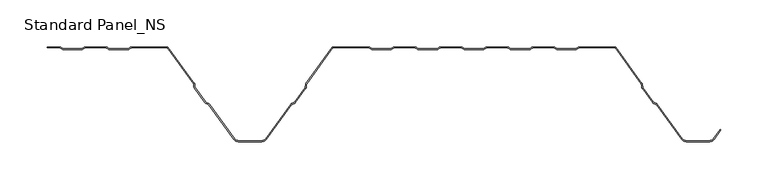
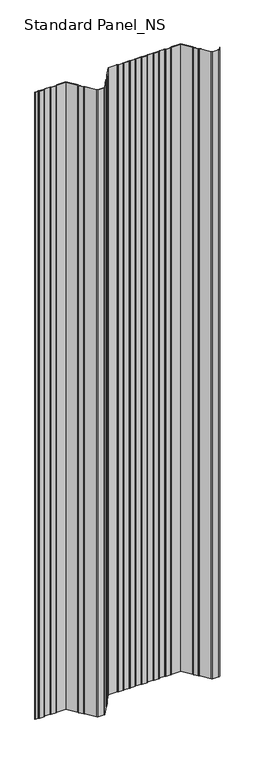
"""IFC4 building model written with IfcOpenShell, lengths in millimetres: proxy geometry, Standard Panel_NS."""

from ifc_helpers import new_model, si_unit, point, frame, frame_2d, origin, place, context, project, spatial, polyline, circle_curve, trimmed, segment, composite_curve, outline, extrude, source, transform, mapped, element, save


def standard_panel_ns_41fe60a1(model_context):
    return source(origin(), model_context, "Body", "SweptSolid", [
        extrude(outline(composite_curve([segment(trimmed(circle_curve(frame_2d((-332.6655441, -2.7486049)), 2.7486049), [point((-332.6655441, 0.0))], [point((-331.1408924, -0.4616274))], False, "CARTESIAN"), True, "CONTINUOUS"), segment(polyline([(-331.1408924, -0.4616274), (-329.27385, -1.7063223)]), True, "CONTINUOUS"), segment(trimmed(circle_curve(frame_2d((-328.3038985, -0.2513951)), 1.7486049), [point((-329.27385, -1.7063223))], [point((-328.3038985, -2.0))], True, "CARTESIAN"), True, "CONTINUOUS"), segment(polyline([(-328.3038985, -2.0), (-309.3627684, -2.0)]), True, "CONTINUOUS"), segment(trimmed(circle_curve(frame_2d((-309.3627684, -0.2513951)), 1.7486049), [point((-309.3627684, -2.0))], [point((-308.392817, -1.7063223))], True, "CARTESIAN"), True, "CONTINUOUS"), segment(polyline([(-308.392817, -1.7063223), (-306.5257746, -0.4616274)]), True, "CONTINUOUS"), segment(trimmed(circle_curve(frame_2d((-305.0011229, -2.7486049)), 2.7486049), [point((-306.5257746, -0.4616274))], [point((-305.0011229, 0.0))], False, "CARTESIAN"), True, "CONTINUOUS"), segment(polyline([(-305.0011229, 0.0), (-283.4988774, 0.0)]), True, "CONTINUOUS"), segment(trimmed(circle_curve(frame_2d((-283.4988774, -2.7486049)), 2.7486049), [point((-283.4988774, 0.0))], [point((-281.9742257, -0.4616274))], False, "CARTESIAN"), True, "CONTINUOUS"), segment(polyline([(-281.9742257, -0.4616274), (-280.1071833, -1.7063223)]), True, "CONTINUOUS"), segment(trimmed(circle_curve(frame_2d((-279.1372319, -0.2513951)), 1.7486049), [point((-280.1071833, -1.7063223))], [point((-279.1372319, -2.0))], True, "CARTESIAN"), True, "CONTINUOUS"), segment(polyline([(-279.1372319, -2.0), (-260.1961018, -2.0)]), True, "CONTINUOUS"), segment(trimmed(circle_curve(frame_2d((-260.1961018, -0.2513951)), 1.7486049), [point((-260.1961018, -2.0))], [point((-259.2261503, -1.7063223))], True, "CARTESIAN"), True, "CONTINUOUS"), segment(polyline([(-259.2261503, -1.7063223), (-257.3591079, -0.4616274)]), True, "CONTINUOUS"), segment(trimmed(circle_curve(frame_2d((-255.8344562, -2.7486049)), 2.7486049), [point((-257.3591079, -0.4616274))], [point((-255.8344562, 0.0))], False, "CARTESIAN"), True, "CONTINUOUS"), segment(polyline([(-255.8344562, 0.0), (-217.5000002, 0.0), (-189.3690592, -38.8012978)]), True, "CONTINUOUS"), segment(trimmed(circle_curve(frame_2d((-191.5943584, -40.4146398)), 2.7486049), [point((-189.3690592, -38.8012978))], [point((-188.8478765, -40.3066321))], False, "CARTESIAN"), True, "CONTINUOUS"), segment(polyline([(-188.8478765, -40.3066321), (-188.7597011, -42.5488047)]), True, "CONTINUOUS"), segment(trimmed(circle_curve(frame_2d((-187.0124468, -42.4800924)), 1.7486049), [point((-188.7597011, -42.5488047))], [point((-188.4281356, -43.5064668))], True, "CARTESIAN"), True, "CONTINUOUS"), segment(polyline([(-188.4281356, -43.5064668), (-177.3103065, -58.8414035)]), True, "CONTINUOUS"), segment(trimmed(circle_curve(frame_2d((-175.8946177, -57.8150291)), 1.7486049), [point((-177.3103065, -58.8414035))], [point((-176.5032119, -59.4543071))], True, "CARTESIAN"), True, "CONTINUOUS"), segment(polyline([(-176.5032119, -59.4543071), (-174.3996005, -60.2352885)]), True, "CONTINUOUS"), segment(trimmed(circle_curve(frame_2d((-175.3562403, -62.8120441)), 2.7486049), [point((-174.3996005, -60.2352885))], [point((-173.1309411, -61.1987022))], False, "CARTESIAN"), True, "CONTINUOUS"), segment(polyline([(-173.1309411, -61.1987022), (-146.4972427, -97.9348379)]), True, "CONTINUOUS"), segment(trimmed(circle_curve(frame_2d((-142.4491905, -95.0)), 5.0), [point((-146.4972427, -97.9348379))], [point((-142.4491905, -100.0))], True, "CARTESIAN"), True, "CONTINUOUS"), segment(polyline([(-142.4491905, -100.0), (-117.5508098, -100.0)]), True, "CONTINUOUS"), segment(trimmed(circle_curve(frame_2d((-117.5508098, -95.0)), 5.0), [point((-117.5508098, -100.0))], [point((-113.5027576, -97.9348379))], True, "CARTESIAN"), True, "CONTINUOUS"), segment(polyline([(-113.5027576, -97.9348379), (-86.8690592, -61.1987022)]), True, "CONTINUOUS"), segment(trimmed(circle_curve(frame_2d((-84.64376, -62.8120441)), 2.7486049), [point((-86.8690592, -61.1987022))], [point((-85.6003998, -60.2352885))], False, "CARTESIAN"), True, "CONTINUOUS"), segment(polyline([(-85.6003998, -60.2352885), (-83.4967884, -59.4543071)]), True, "CONTINUOUS"), segment(trimmed(circle_curve(frame_2d((-84.1053826, -57.8150291)), 1.7486049), [point((-83.4967884, -59.4543071))], [point((-82.6896938, -58.8414035))], True, "CARTESIAN"), True, "CONTINUOUS"), segment(polyline([(-82.6896938, -58.8414035), (-71.5718647, -43.5064668)]), True, "CONTINUOUS"), segment(trimmed(circle_curve(frame_2d((-72.9875535, -42.4800924)), 1.7486049), [point((-71.5718647, -43.5064668))], [point((-71.2402992, -42.5488047))], True, "CARTESIAN"), True, "CONTINUOUS"), segment(polyline([(-71.2402992, -42.5488047), (-71.1521238, -40.3066321)]), True, "CONTINUOUS"), segment(trimmed(circle_curve(frame_2d((-68.4056419, -40.4146398)), 2.7486049), [point((-71.1521238, -40.3066321))], [point((-70.6309411, -38.8012978))], False, "CARTESIAN"), True, "CONTINUOUS"), segment(polyline([(-70.6309411, -38.8012978), (-42.5000002, 0.0), (-4.1655441, 0.0)]), True, "CONTINUOUS"), segment(trimmed(circle_curve(frame_2d((-4.1655441, -2.7486049)), 2.7486049), [point((-4.1655441, 0.0))], [point((-2.6408924, -0.4616274))], False, "CARTESIAN"), True, "CONTINUOUS"), segment(polyline([(-2.6408924, -0.4616274), (-0.77385, -1.7063223)]), True, "CONTINUOUS"), segment(trimmed(circle_curve(frame_2d((0.1961015, -0.2513951)), 1.7486049), [point((-0.77385, -1.7063223))], [point((0.1961015, -2.0))], True, "CARTESIAN"), True, "CONTINUOUS"), segment(polyline([(0.1961015, -2.0), (19.1372316, -2.0)]), True, "CONTINUOUS"), segment(trimmed(circle_curve(frame_2d((19.1372316, -0.2513951)), 1.7486049), [point((19.1372316, -2.0))], [point((20.107183, -1.7063223))], True, "CARTESIAN"), True, "CONTINUOUS"), segment(polyline([(20.107183, -1.7063223), (21.9742254, -0.4616274)]), True, "CONTINUOUS"), segment(trimmed(circle_curve(frame_2d((23.4988771, -2.7486049)), 2.7486049), [point((21.9742254, -0.4616274))], [point((23.4988771, 0.0))], False, "CARTESIAN"), True, "CONTINUOUS"), segment(polyline([(23.4988771, 0.0), (45.0011226, 0.0)]), True, "CONTINUOUS"), segment(trimmed(circle_curve(frame_2d((45.0011226, -2.7486049)), 2.7486049), [point((45.0011226, 0.0))], [point((46.5257743, -0.4616274))], False, "CARTESIAN"), True, "CONTINUOUS"), segment(polyline([(46.5257743, -0.4616274), (48.3928167, -1.7063223)]), True, "CONTINUOUS"), segment(trimmed(circle_curve(frame_2d((49.3627681, -0.2513951)), 1.7486049), [point((48.3928167, -1.7063223))], [point((49.3627681, -2.0))], True, "CARTESIAN"), True, "CONTINUOUS"), segment(polyline([(49.3627681, -2.0), (68.3038982, -2.0)]), True, "CONTINUOUS"), segment(trimmed(circle_curve(frame_2d((68.3038982, -0.2513951)), 1.7486049), [point((68.3038982, -2.0))], [point((69.2738497, -1.7063223))], True, "CARTESIAN"), True, "CONTINUOUS"), segment(polyline([(69.2738497, -1.7063223), (71.1408921, -0.4616274)]), True, "CONTINUOUS"), segment(trimmed(circle_curve(frame_2d((72.6655438, -2.7486049)), 2.7486049), [point((71.1408921, -0.4616274))], [point((72.6655438, 0.0))], False, "CARTESIAN"), True, "CONTINUOUS"), segment(polyline([(72.6655438, 0.0), (94.1677892, 0.0)]), True, "CONTINUOUS"), segment(trimmed(circle_curve(frame_2d((94.1677892, -2.7486049)), 2.7486049), [point((94.1677892, 0.0))], [point((95.6924409, -0.4616274))], False, "CARTESIAN"), True, "CONTINUOUS"), segment(polyline([(95.6924409, -0.4616274), (97.5594833, -1.7063223)]), True, "CONTINUOUS"), segment(trimmed(circle_curve(frame_2d((98.5294348, -0.2513951)), 1.7486049), [point((97.5594833, -1.7063223))], [point((98.5294348, -2.0))], True, "CARTESIAN"), True, "CONTINUOUS"), segment(polyline([(98.5294348, -2.0), (117.4705649, -2.0)]), True, "CONTINUOUS"), segment(trimmed(circle_curve(frame_2d((117.4705649, -0.2513951)), 1.7486049), [point((117.4705649, -2.0))], [point((118.4405164, -1.7063223))], True, "CARTESIAN"), True, "CONTINUOUS"), segment(polyline([(118.4405164, -1.7063223), (120.3075588, -0.4616274)]), True, "CONTINUOUS"), segment(trimmed(circle_curve(frame_2d((121.8322104, -2.7486049)), 2.7486049), [point((120.3075588, -0.4616274))], [point((121.8322104, 0.0))], False, "CARTESIAN"), True, "CONTINUOUS"), segment(polyline([(121.8322104, 0.0), (143.3344559, 0.0)]), True, "CONTINUOUS"), segment(trimmed(circle_curve(frame_2d((143.3344559, -2.7486049)), 2.7486049), [point((143.3344559, 0.0))], [point((144.8591076, -0.4616274))], False, "CARTESIAN"), True, "CONTINUOUS"), segment(polyline([(144.8591076, -0.4616274), (146.72615, -1.7063223)]), True, "CONTINUOUS"), segment(trimmed(circle_curve(frame_2d((147.6961015, -0.2513951)), 1.7486049), [point((146.72615, -1.7063223))], [point((147.6961015, -2.0))], True, "CARTESIAN"), True, "CONTINUOUS"), segment(polyline([(147.6961015, -2.0), (166.6372316, -2.0)]), True, "CONTINUOUS"), segment(trimmed(circle_curve(frame_2d((166.6372316, -0.2513951)), 1.7486049), [point((166.6372316, -2.0))], [point((167.607183, -1.7063223))], True, "CARTESIAN"), True, "CONTINUOUS"), segment(polyline([(167.607183, -1.7063223), (169.4742254, -0.4616274)]), True, "CONTINUOUS"), segment(trimmed(circle_curve(frame_2d((170.9988771, -2.7486049)), 2.7486049), [point((169.4742254, -0.4616274))], [point((170.9988771, 0.0))], False, "CARTESIAN"), True, "CONTINUOUS"), segment(polyline([(170.9988771, 0.0), (192.5011226, 0.0)]), True, "CONTINUOUS"), segment(trimmed(circle_curve(frame_2d((192.5011226, -2.7486049)), 2.7486049), [point((192.5011226, 0.0))], [point((194.0257743, -0.4616274))], False, "CARTESIAN"), True, "CONTINUOUS"), segment(polyline([(194.0257743, -0.4616274), (195.8928167, -1.7063223)]), True, "CONTINUOUS"), segment(trimmed(circle_curve(frame_2d((196.8627681, -0.2513951)), 1.7486049), [point((195.8928167, -1.7063223))], [point((196.8627681, -2.0))], True, "CARTESIAN"), True, "CONTINUOUS"), segment(polyline([(196.8627681, -2.0), (215.8038982, -2.0)]), True, "CONTINUOUS"), segment(trimmed(circle_curve(frame_2d((215.8038982, -0.2513951)), 1.7486049), [point((215.8038982, -2.0))], [point((216.7738497, -1.7063223))], True, "CARTESIAN"), True, "CONTINUOUS"), segment(polyline([(216.7738497, -1.7063223), (218.6408921, -0.4616274)]), True, "CONTINUOUS"), segment(trimmed(circle_curve(frame_2d((220.1655438, -2.7486049)), 2.7486049), [point((218.6408921, -0.4616274))], [point((220.1655438, 0.0))], False, "CARTESIAN"), True, "CONTINUOUS"), segment(polyline([(220.1655438, 0.0), (258.4999998, 0.0), (286.6309408, -38.8012978)]), True, "CONTINUOUS"), segment(trimmed(circle_curve(frame_2d((284.4056416, -40.4146398)), 2.7486049), [point((286.6309408, -38.8012978))], [point((287.1521235, -40.3066321))], False, "CARTESIAN"), True, "CONTINUOUS"), segment(polyline([(287.1521235, -40.3066321), (287.2402989, -42.5488047)]), True, "CONTINUOUS"), segment(trimmed(circle_curve(frame_2d((288.9875532, -42.4800924)), 1.7486049), [point((287.2402989, -42.5488047))], [point((287.5718644, -43.5064668))], True, "CARTESIAN"), True, "CONTINUOUS"), segment(polyline([(287.5718644, -43.5064668), (298.6896935, -58.8414035)]), True, "CONTINUOUS"), segment(trimmed(circle_curve(frame_2d((300.1053823, -57.8150291)), 1.7486049), [point((298.6896935, -58.8414035))], [point((299.4967881, -59.4543071))], True, "CARTESIAN"), True, "CONTINUOUS"), segment(polyline([(299.4967881, -59.4543071), (301.6003995, -60.2352885)]), True, "CONTINUOUS"), segment(trimmed(circle_curve(frame_2d((300.6437597, -62.8120441)), 2.7486049), [point((301.6003995, -60.2352885))], [point((302.8690589, -61.1987022))], False, "CARTESIAN"), True, "CONTINUOUS"), segment(polyline([(302.8690589, -61.1987022), (329.5027573, -97.9348379)]), True, "CONTINUOUS"), segment(trimmed(circle_curve(frame_2d((333.5508095, -95.0)), 5.0), [point((329.5027573, -97.9348379))], [point((333.5508095, -100.0))], True, "CARTESIAN"), True, "CONTINUOUS"), segment(polyline([(333.5508095, -100.0), (358.4491902, -100.0)]), True, "CONTINUOUS"), segment(trimmed(circle_curve(frame_2d((358.4491902, -95.0)), 5.0), [point((358.4491902, -100.0))], [point((362.4972424, -97.9348379))], True, "CARTESIAN"), True, "CONTINUOUS"), segment(polyline([(362.4972424, -97.9348379), (369.8045134, -87.8558433), (370.6141239, -88.4428109), (363.3068528, -98.5218054)]), True, "CONTINUOUS"), segment(trimmed(circle_curve(frame_2d((358.4491902, -95.0)), 6.0), [point((363.3068528, -98.5218054))], [point((358.4491902, -101.0))], False, "CARTESIAN"), True, "CONTINUOUS"), segment(polyline([(358.4491902, -101.0), (333.5508095, -101.0)]), True, "CONTINUOUS"), segment(trimmed(circle_curve(frame_2d((333.5508095, -95.0)), 6.0), [point((333.5508095, -101.0))], [point((328.6931469, -98.5218054))], False, "CARTESIAN"), True, "CONTINUOUS"), segment(polyline([(328.6931469, -98.5218054), (302.0594485, -61.7856697)]), True, "CONTINUOUS"), segment(trimmed(circle_curve(frame_2d((300.6437597, -62.8120441)), 1.7486049), [point((302.0594485, -61.7856697))], [point((301.2523539, -61.1727662))], True, "CARTESIAN"), True, "CONTINUOUS"), segment(polyline([(301.2523539, -61.1727662), (299.1487425, -60.3917847)]), True, "CONTINUOUS"), segment(trimmed(circle_curve(frame_2d((300.1053823, -57.8150291)), 2.7486049), [point((299.1487425, -60.3917847))], [point((297.8800831, -59.4283711))], False, "CARTESIAN"), True, "CONTINUOUS"), segment(polyline([(297.8800831, -59.4283711), (286.762254, -44.0934344)]), True, "CONTINUOUS"), segment(trimmed(circle_curve(frame_2d((288.9875532, -42.4800924)), 2.7486049), [point((286.762254, -44.0934344))], [point((286.2410712, -42.5881001))], False, "CARTESIAN"), True, "CONTINUOUS"), segment(polyline([(286.2410712, -42.5881001), (286.1528959, -40.3459275)]), True, "CONTINUOUS"), segment(trimmed(circle_curve(frame_2d((284.4056416, -40.4146398)), 1.7486049), [point((286.1528959, -40.3459275))], [point((285.8213303, -39.3882654))], True, "CARTESIAN"), True, "CONTINUOUS"), segment(polyline([(285.8213303, -39.3882654), (257.9898379, -1.0), (220.1655438, -1.0)]), True, "CONTINUOUS"), segment(trimmed(circle_curve(frame_2d((220.1655438, -2.7486049)), 1.7486049), [point((220.1655438, -1.0))], [point((219.1955923, -1.2936777))], True, "CARTESIAN"), True, "CONTINUOUS"), segment(polyline([(219.1955923, -1.2936777), (217.3285499, -2.5383726)]), True, "CONTINUOUS"), segment(trimmed(circle_curve(frame_2d((215.8038982, -0.2513951)), 2.7486049), [point((217.3285499, -2.5383726))], [point((215.8038982, -3.0))], False, "CARTESIAN"), True, "CONTINUOUS"), segment(polyline([(215.8038982, -3.0), (196.8627681, -3.0)]), True, "CONTINUOUS"), segment(trimmed(circle_curve(frame_2d((196.8627681, -0.2513951)), 2.7486049), [point((196.8627681, -3.0))], [point((195.3381165, -2.5383726))], False, "CARTESIAN"), True, "CONTINUOUS"), segment(polyline([(195.3381165, -2.5383726), (193.4710741, -1.2936777)]), True, "CONTINUOUS"), segment(trimmed(circle_curve(frame_2d((192.5011226, -2.7486049)), 1.7486049), [point((193.4710741, -1.2936777))], [point((192.5011226, -1.0))], True, "CARTESIAN"), True, "CONTINUOUS"), segment(polyline([(192.5011226, -1.0), (170.9988771, -1.0)]), True, "CONTINUOUS"), segment(trimmed(circle_curve(frame_2d((170.9988771, -2.7486049)), 1.7486049), [point((170.9988771, -1.0))], [point((170.0289256, -1.2936777))], True, "CARTESIAN"), True, "CONTINUOUS"), segment(polyline([(170.0289256, -1.2936777), (168.1618832, -2.5383726)]), True, "CONTINUOUS"), segment(trimmed(circle_curve(frame_2d((166.6372316, -0.2513951)), 2.7486049), [point((168.1618832, -2.5383726))], [point((166.6372316, -3.0))], False, "CARTESIAN"), True, "CONTINUOUS"), segment(polyline([(166.6372316, -3.0), (147.6961015, -3.0)]), True, "CONTINUOUS"), segment(trimmed(circle_curve(frame_2d((147.6961015, -0.2513951)), 2.7486049), [point((147.6961015, -3.0))], [point((146.1714498, -2.5383726))], False, "CARTESIAN"), True, "CONTINUOUS"), segment(polyline([(146.1714498, -2.5383726), (144.3044074, -1.2936777)]), True, "CONTINUOUS"), segment(trimmed(circle_curve(frame_2d((143.3344559, -2.7486049)), 1.7486049), [point((144.3044074, -1.2936777))], [point((143.3344559, -1.0))], True, "CARTESIAN"), True, "CONTINUOUS"), segment(polyline([(143.3344559, -1.0), (121.8322104, -1.0)]), True, "CONTINUOUS"), segment(trimmed(circle_curve(frame_2d((121.8322104, -2.7486049)), 1.7486049), [point((121.8322104, -1.0))], [point((120.862259, -1.2936777))], True, "CARTESIAN"), True, "CONTINUOUS"), segment(polyline([(120.862259, -1.2936777), (118.9952166, -2.5383726)]), True, "CONTINUOUS"), segment(trimmed(circle_curve(frame_2d((117.4705649, -0.2513951)), 2.7486049), [point((118.9952166, -2.5383726))], [point((117.4705649, -3.0))], False, "CARTESIAN"), True, "CONTINUOUS"), segment(polyline([(117.4705649, -3.0), (98.5294348, -3.0)]), True, "CONTINUOUS"), segment(trimmed(circle_curve(frame_2d((98.5294348, -0.2513951)), 2.7486049), [point((98.5294348, -3.0))], [point((97.0047831, -2.5383726))], False, "CARTESIAN"), True, "CONTINUOUS"), segment(polyline([(97.0047831, -2.5383726), (95.1377407, -1.2936777)]), True, "CONTINUOUS"), segment(trimmed(circle_curve(frame_2d((94.1677892, -2.7486049)), 1.7486049), [point((95.1377407, -1.2936777))], [point((94.1677892, -1.0))], True, "CARTESIAN"), True, "CONTINUOUS"), segment(polyline([(94.1677892, -1.0), (72.6655438, -1.0)]), True, "CONTINUOUS"), segment(trimmed(circle_curve(frame_2d((72.6655438, -2.7486049)), 1.7486049), [point((72.6655438, -1.0))], [point((71.6955923, -1.2936777))], True, "CARTESIAN"), True, "CONTINUOUS"), segment(polyline([(71.6955923, -1.2936777), (69.8285499, -2.5383726)]), True, "CONTINUOUS"), segment(trimmed(circle_curve(frame_2d((68.3038982, -0.2513951)), 2.7486049), [point((69.8285499, -2.5383726))], [point((68.3038982, -3.0))], False, "CARTESIAN"), True, "CONTINUOUS"), segment(polyline([(68.3038982, -3.0), (49.3627681, -3.0)]), True, "CONTINUOUS"), segment(trimmed(circle_curve(frame_2d((49.3627681, -0.2513951)), 2.7486049), [point((49.3627681, -3.0))], [point((47.8381165, -2.5383726))], False, "CARTESIAN"), True, "CONTINUOUS"), segment(polyline([(47.8381165, -2.5383726), (45.9710741, -1.2936777)]), True, "CONTINUOUS"), segment(trimmed(circle_curve(frame_2d((45.0011226, -2.7486049)), 1.7486049), [point((45.9710741, -1.2936777))], [point((45.0011226, -1.0))], True, "CARTESIAN"), True, "CONTINUOUS"), segment(polyline([(45.0011226, -1.0), (23.4988771, -1.0)]), True, "CONTINUOUS"), segment(trimmed(circle_curve(frame_2d((23.4988771, -2.7486049)), 1.7486049), [point((23.4988771, -1.0))], [point((22.5289256, -1.2936777))], True, "CARTESIAN"), True, "CONTINUOUS"), segment(polyline([(22.5289256, -1.2936777), (20.6618832, -2.5383726)]), True, "CONTINUOUS"), segment(trimmed(circle_curve(frame_2d((19.1372316, -0.2513951)), 2.7486049), [point((20.6618832, -2.5383726))], [point((19.1372316, -3.0))], False, "CARTESIAN"), True, "CONTINUOUS"), segment(polyline([(19.1372316, -3.0), (0.1961015, -3.0)]), True, "CONTINUOUS"), segment(trimmed(circle_curve(frame_2d((0.1961015, -0.2513951)), 2.7486049), [point((0.1961015, -3.0))], [point((-1.3285502, -2.5383726))], False, "CARTESIAN"), True, "CONTINUOUS"), segment(polyline([(-1.3285502, -2.5383726), (-3.1955926, -1.2936777)]), True, "CONTINUOUS"), segment(trimmed(circle_curve(frame_2d((-4.1655441, -2.7486049)), 1.7486049), [point((-3.1955926, -1.2936777))], [point((-4.1655441, -1.0))], True, "CARTESIAN"), True, "CONTINUOUS"), segment(polyline([(-4.1655441, -1.0), (-41.9898382, -1.0), (-69.8213306, -39.3882654)]), True, "CONTINUOUS"), segment(trimmed(circle_curve(frame_2d((-68.4056419, -40.4146398)), 1.7486049), [point((-69.8213306, -39.3882654))], [point((-70.1528962, -40.3459275))], True, "CARTESIAN"), True, "CONTINUOUS"), segment(polyline([(-70.1528962, -40.3459275), (-70.2410715, -42.5881001)]), True, "CONTINUOUS"), segment(trimmed(circle_curve(frame_2d((-72.9875535, -42.4800924)), 2.7486049), [point((-70.2410715, -42.5881001))], [point((-70.7622543, -44.0934344))], False, "CARTESIAN"), True, "CONTINUOUS"), segment(polyline([(-70.7622543, -44.0934344), (-81.8800834, -59.4283711)]), True, "CONTINUOUS"), segment(trimmed(circle_curve(frame_2d((-84.1053826, -57.8150291)), 2.7486049), [point((-81.8800834, -59.4283711))], [point((-83.1487428, -60.3917847))], False, "CARTESIAN"), True, "CONTINUOUS"), segment(polyline([(-83.1487428, -60.3917847), (-85.2523542, -61.1727662)]), True, "CONTINUOUS"), segment(trimmed(circle_curve(frame_2d((-84.64376, -62.8120441)), 1.7486049), [point((-85.2523542, -61.1727662))], [point((-86.0594488, -61.7856697))], True, "CARTESIAN"), True, "CONTINUOUS"), segment(polyline([(-86.0594488, -61.7856697), (-112.6931472, -98.5218054)]), True, "CONTINUOUS"), segment(trimmed(circle_curve(frame_2d((-117.5508098, -95.0)), 6.0), [point((-112.6931472, -98.5218054))], [point((-117.5508098, -101.0))], False, "CARTESIAN"), True, "CONTINUOUS"), segment(polyline([(-117.5508098, -101.0), (-142.4491905, -101.0)]), True, "CONTINUOUS"), segment(trimmed(circle_curve(frame_2d((-142.4491905, -95.0)), 6.0), [point((-142.4491905, -101.0))], [point((-147.3068531, -98.5218054))], False, "CARTESIAN"), True, "CONTINUOUS"), segment(polyline([(-147.3068531, -98.5218054), (-173.9405515, -61.7856697)]), True, "CONTINUOUS"), segment(trimmed(circle_curve(frame_2d((-175.3562403, -62.8120441)), 1.7486049), [point((-173.9405515, -61.7856697))], [point((-174.7476461, -61.1727662))], True, "CARTESIAN"), True, "CONTINUOUS"), segment(polyline([(-174.7476461, -61.1727662), (-176.8512575, -60.3917847)]), True, "CONTINUOUS"), segment(trimmed(circle_curve(frame_2d((-175.8946177, -57.8150291)), 2.7486049), [point((-176.8512575, -60.3917847))], [point((-178.1199169, -59.4283711))], False, "CARTESIAN"), True, "CONTINUOUS"), segment(polyline([(-178.1199169, -59.4283711), (-189.237746, -44.0934344)]), True, "CONTINUOUS"), segment(trimmed(circle_curve(frame_2d((-187.0124468, -42.4800924)), 2.7486049), [point((-189.237746, -44.0934344))], [point((-189.7589288, -42.5881001))], False, "CARTESIAN"), True, "CONTINUOUS"), segment(polyline([(-189.7589288, -42.5881001), (-189.8471041, -40.3459275)]), True, "CONTINUOUS"), segment(trimmed(circle_curve(frame_2d((-191.5943584, -40.4146398)), 1.7486049), [point((-189.8471041, -40.3459275))], [point((-190.1786697, -39.3882654))], True, "CARTESIAN"), True, "CONTINUOUS"), segment(polyline([(-190.1786697, -39.3882654), (-218.0101621, -1.0), (-255.8344562, -1.0)]), True, "CONTINUOUS"), segment(trimmed(circle_curve(frame_2d((-255.8344562, -2.7486049)), 1.7486049), [point((-255.8344562, -1.0))], [point((-256.8044077, -1.2936777))], True, "CARTESIAN"), True, "CONTINUOUS"), segment(polyline([(-256.8044077, -1.2936777), (-258.6714501, -2.5383726)]), True, "CONTINUOUS"), segment(trimmed(circle_curve(frame_2d((-260.1961018, -0.2513951)), 2.7486049), [point((-258.6714501, -2.5383726))], [point((-260.1961018, -3.0))], False, "CARTESIAN"), True, "CONTINUOUS"), segment(polyline([(-260.1961018, -3.0), (-279.1372319, -3.0)]), True, "CONTINUOUS"), segment(trimmed(circle_curve(frame_2d((-279.1372319, -0.2513951)), 2.7486049), [point((-279.1372319, -3.0))], [point((-280.6618835, -2.5383726))], False, "CARTESIAN"), True, "CONTINUOUS"), segment(polyline([(-280.6618835, -2.5383726), (-282.5289259, -1.2936777)]), True, "CONTINUOUS"), segment(trimmed(circle_curve(frame_2d((-283.4988774, -2.7486049)), 1.7486049), [point((-282.5289259, -1.2936777))], [point((-283.4988774, -1.0))], True, "CARTESIAN"), True, "CONTINUOUS"), segment(polyline([(-283.4988774, -1.0), (-305.0011229, -1.0)]), True, "CONTINUOUS"), segment(trimmed(circle_curve(frame_2d((-305.0011229, -2.7486049)), 1.7486049), [point((-305.0011229, -1.0))], [point((-305.9710744, -1.2936777))], True, "CARTESIAN"), True, "CONTINUOUS"), segment(polyline([(-305.9710744, -1.2936777), (-307.8381168, -2.5383726)]), True, "CONTINUOUS"), segment(trimmed(circle_curve(frame_2d((-309.3627684, -0.2513951)), 2.7486049), [point((-307.8381168, -2.5383726))], [point((-309.3627684, -3.0))], False, "CARTESIAN"), True, "CONTINUOUS"), segment(polyline([(-309.3627684, -3.0), (-328.3038985, -3.0)]), True, "CONTINUOUS"), segment(trimmed(circle_curve(frame_2d((-328.3038985, -0.2513951)), 2.7486049), [point((-328.3038985, -3.0))], [point((-329.8285502, -2.5383726))], False, "CARTESIAN"), True, "CONTINUOUS"), segment(polyline([(-329.8285502, -2.5383726), (-331.6955926, -1.2936777)]), True, "CONTINUOUS"), segment(trimmed(circle_curve(frame_2d((-332.6655441, -2.7486049)), 1.7486049), [point((-331.6955926, -1.2936777))], [point((-332.6655441, -1.0))], True, "CARTESIAN"), True, "CONTINUOUS"), segment(polyline([(-332.6655441, -1.0), (-345.9999998, -1.0), (-345.9999998, 0.0), (-332.6655441, 0.0)]), True, "CONTINUOUS")], self_intersect=False)), frame((0.0, 0.0, -250.0), z_axis=(0.0, 0.0, 1.0), x_axis=(1.0, 0.0, 0.0)), (0.0, 0.0, 1.0), 2750.0),
    ])


if __name__ == "__main__":
    model = new_model("IFC4")
    model_context = context("Model", 3, world=origin())
    ifc_project = project(units=[si_unit("LENGTHUNIT", "METRE", prefix="MILLI")], contexts=[model_context])
    site = spatial("IfcSite", under=ifc_project)
    building = spatial("IfcBuilding", under=site)
    placement = place(None, origin())
    standard_panel_ns_shape = standard_panel_ns_41fe60a1(model_context)
    element("IfcBuildingElementProxy", 1, Name="Standard Panel_NS", ObjectType="Standard Panel_NS", at=placement, inside=building, context=model_context, shape_type="MappedRepresentation", body=[
        mapped(standard_panel_ns_shape, transform((0.0, 0.0, 0.0), x_axis=(1.0, 0.0, 0.0), y_axis=(0.0, 1.0, 0.0), z_axis=(0.0, 0.0, 1.0))),
    ])
    save(model, "model.ifc")
